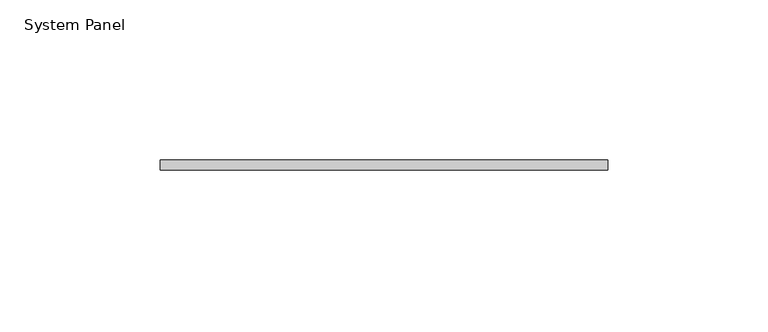
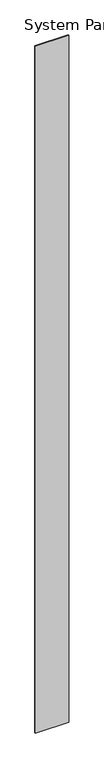
"""IFC4 building model written with IfcOpenShell, lengths in millimetres: plate geometry, System Panel."""

from ifc_helpers import new_model, si_unit, origin, origin_with_axes, place, context, project, spatial, polyline, outline, extrude, source, transform, mapped, element, save


def system_panel_115413ee(model_context):
    return source(origin(), model_context, "Body", "SweptSolid", [
        extrude(outline(polyline([(69.85, -3.175), (-69.85, -3.175), (-69.85, 0.0), (69.85, 0.0), (69.85, -3.175)])), origin_with_axes(), (0.0, 0.0, 1.0), 3048.0),
    ])


if __name__ == "__main__":
    model = new_model("IFC4")
    model_context = context("Model", 3, world=origin())
    ifc_project = project(units=[si_unit("LENGTHUNIT", "METRE", prefix="MILLI")], contexts=[model_context])
    site = spatial("IfcSite", under=ifc_project)
    building = spatial("IfcBuilding", under=site)
    placement = place(None, origin())
    system_panel_shape = system_panel_115413ee(model_context)
    element("IfcPlate", 1, ObjectType="System Panel", at=placement, inside=building, context=model_context, shape_type="MappedRepresentation", body=[
        mapped(system_panel_shape, transform((0.0, 0.0, 0.0), x_axis=(1.0, 0.0, 0.0), y_axis=(0.0, 1.0, 0.0), z_axis=(0.0, 0.0, 1.0))),
    ])
    save(model, "model.ifc")
